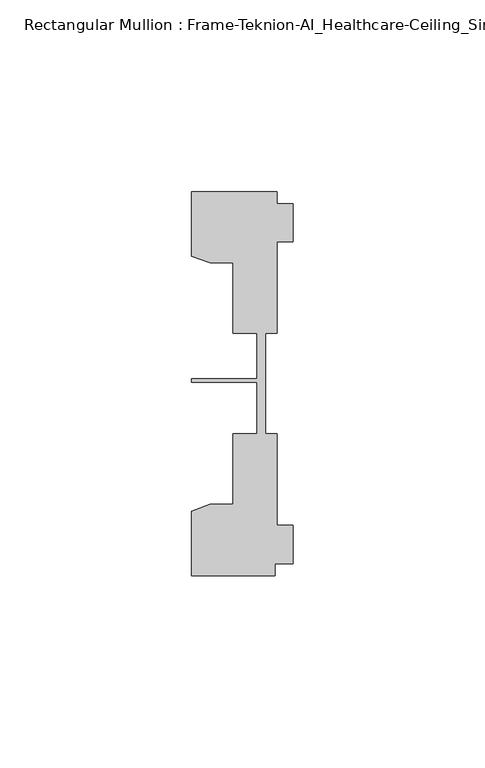
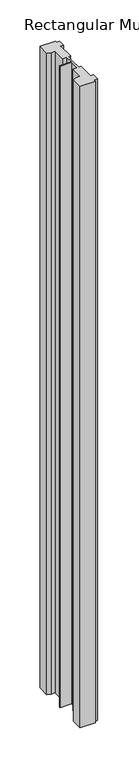
"""IFC4 building model written with IfcOpenShell, lengths in millimetres: member geometry, Rectangular Mullion : Frame-Teknion-AI_Healthcare-Ceiling_Single_Channel."""

from ifc_helpers import new_model, si_unit, frame, origin, place, context, project, spatial, polyline, outline, extrude, source, transform, mapped, element, save


def rectangular_mullion_frame_teknion_ai_healthcare_ceiling_8e59ffb7(model_context):
    return source(origin(), model_context, "Body", "SweptSolid", [
        extrude(outline(polyline([(-26.4921999, -34.0201677), (-21.6625199, -32.2880982), (-15.6737764, -32.2880982), (-15.6737764, -13.9110722), (-9.4507761, -13.9110722), (-9.4507761, -0.4036528), (-26.4921999, -0.4036528), (-26.4921999, 0.4036528), (-9.4507761, 0.4036528), (-9.4507761, 12.2509301), (-15.6737764, 12.2509301), (-15.6737764, 30.6279561), (-21.6625199, 30.6279561), (-26.4921999, 32.3600207), (-26.4921999, 49.1699293), (-4.2672007, 49.1699293), (-4.2672007, 46.1219322), (0.0, 46.1219322), (0.0, 36.1219249), (-4.2672007, 36.1219249), (-4.2672007, 12.2509301), (-7.1647766, 12.2509301), (-7.1647766, -0.0814804), (-7.1647766, -13.9110722), (-4.2672007, -13.9110722), (-4.2672007, -37.7820716), (0.0, -37.7820716), (0.0, -47.782071), (-4.7752002, -47.782071), (-4.7752002, -50.8315128), (-26.4921999, -50.8315128), (-26.4921999, -34.0201677)])), frame((0.0, 0.0, -974.0847584), z_axis=(0.0, 0.0, 1.0), x_axis=(1.0, 0.0, 0.0)), (0.0, 0.0, 1.0), 974.0847584),
    ])


if __name__ == "__main__":
    model = new_model("IFC4")
    model_context = context("Model", 3, world=origin())
    ifc_project = project(units=[si_unit("LENGTHUNIT", "METRE", prefix="MILLI")], contexts=[model_context])
    site = spatial("IfcSite", under=ifc_project)
    building = spatial("IfcBuilding", under=site)
    placement = place(None, origin())
    rectangular_mullion_frame_teknion_ai_healthcare_ceiling_shape = rectangular_mullion_frame_teknion_ai_healthcare_ceiling_8e59ffb7(model_context)
    element("IfcMember", 1, ObjectType="Rectangular Mullion : Frame-Teknion-AI_Healthcare-Ceiling_Single_Channel", at=placement, inside=building, context=model_context, shape_type="MappedRepresentation", body=[
        mapped(rectangular_mullion_frame_teknion_ai_healthcare_ceiling_shape, transform((0.0, 0.0, 0.0), x_axis=(1.0, 0.0, 0.0), y_axis=(0.0, 1.0, 0.0), z_axis=(0.0, 0.0, 1.0))),
    ])
    save(model, "model.ifc")
